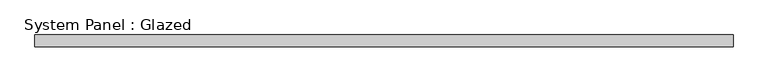
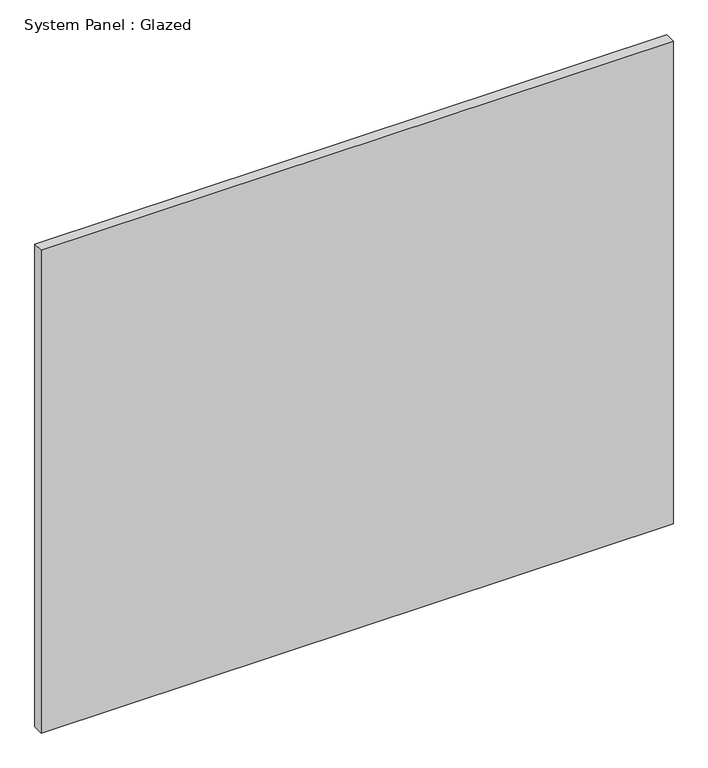
"""IFC4 building model written with IfcOpenShell, lengths in millimetres: plate geometry, System Panel : Glazed."""

from ifc_helpers import new_model, si_unit, origin, origin_with_axes, place, context, project, spatial, polyline, outline, extrude, source, transform, mapped, element, save


def system_panel_glazed_46ef3f2f(model_context):
    return source(origin(), model_context, "Body", "SweptSolid", [
        extrude(outline(polyline([(755.65, 19.05), (-755.65, 19.05), (-755.65, 44.45), (755.65, 44.45), (755.65, 19.05)])), origin_with_axes(), (0.0, 0.0, 1.0), 1219.2),
    ])


if __name__ == "__main__":
    model = new_model("IFC4")
    model_context = context("Model", 3, world=origin())
    ifc_project = project(units=[si_unit("LENGTHUNIT", "METRE", prefix="MILLI")], contexts=[model_context])
    site = spatial("IfcSite", under=ifc_project)
    building = spatial("IfcBuilding", under=site)
    placement = place(None, origin())
    system_panel_glazed_shape = system_panel_glazed_46ef3f2f(model_context)
    element("IfcPlate", 1, ObjectType="System Panel : Glazed", at=placement, inside=building, context=model_context, shape_type="MappedRepresentation", body=[
        mapped(system_panel_glazed_shape, transform((0.0, 0.0, 0.0), x_axis=(1.0, 0.0, 0.0), y_axis=(0.0, 1.0, 0.0), z_axis=(0.0, 0.0, 1.0))),
    ])
    save(model, "model.ifc")
